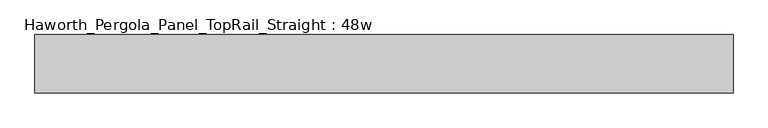
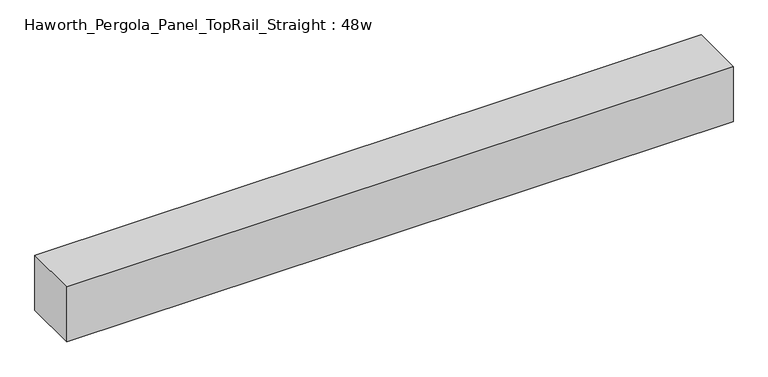
"""IFC4 building model written with IfcOpenShell, lengths in millimetres: furniture geometry, Haworth_Pergola_Panel_TopRail_Straight : 48w."""

from ifc_helpers import new_model, si_unit, frame, origin, place, context, project, spatial, polyline, outline, extrude, source, transform, mapped, element, save


def haworth_pergola_panel_toprail_straight_48w_89d4cfa5(model_context):
    return source(origin(), model_context, "Body", "SweptSolid", [
        extrude(outline(polyline([(2120.9, -50.8), (901.7, -50.8), (901.7, 50.8), (2120.9, 50.8), (2120.9, -50.8)])), frame((0.0, 0.0, 2331.8390625), z_axis=(0.0, 0.0, 1.0), x_axis=(1.0, 0.0, 0.0)), (0.0, 0.0, 1.0), 106.5609375),
    ])


if __name__ == "__main__":
    model = new_model("IFC4")
    model_context = context("Model", 3, world=origin())
    ifc_project = project(units=[si_unit("LENGTHUNIT", "METRE", prefix="MILLI")], contexts=[model_context])
    site = spatial("IfcSite", under=ifc_project)
    building = spatial("IfcBuilding", under=site)
    placement = place(None, origin())
    haworth_pergola_panel_toprail_straight_48w_shape = haworth_pergola_panel_toprail_straight_48w_89d4cfa5(model_context)
    element("IfcFurniture", 1, ObjectType="Haworth_Pergola_Panel_TopRail_Straight : 48w", at=placement, inside=building, context=model_context, shape_type="MappedRepresentation", body=[
        mapped(haworth_pergola_panel_toprail_straight_48w_shape, transform((0.0, 0.0, 0.0), x_axis=(1.0, 0.0, 0.0), y_axis=(0.0, 1.0, 0.0), z_axis=(0.0, 0.0, 1.0))),
    ])
    save(model, "model.ifc")
